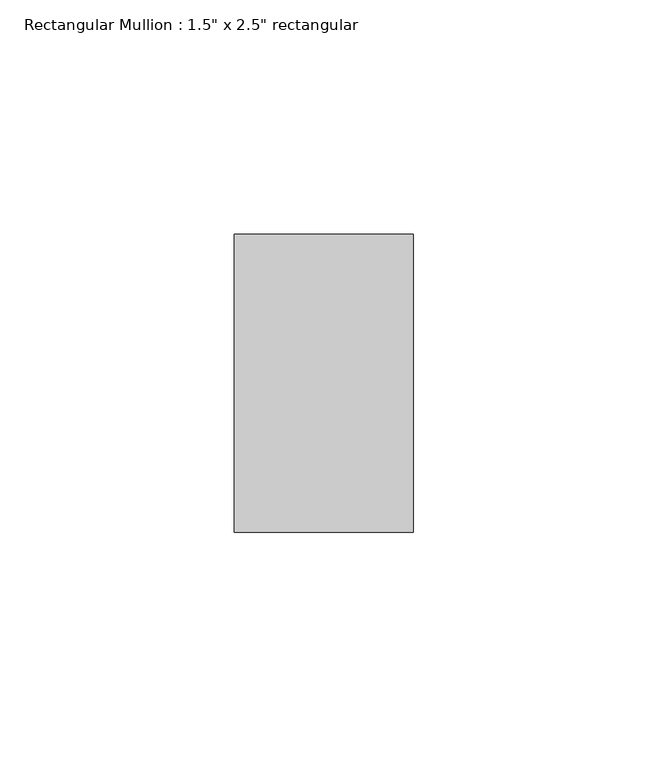
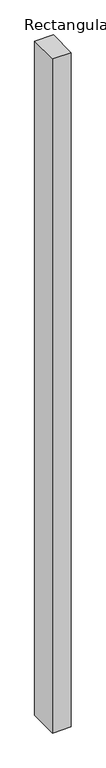
"""IFC4 building model written with IfcOpenShell, lengths in millimetres: member geometry."""

from ifc_helpers import new_model, si_unit, frame, origin, place, context, project, spatial, polyline, outline, extrude, source, transform, mapped, element, save


def member_1b87e778(model_context):
    return source(origin(), model_context, "Body", "SweptSolid", [
        extrude(outline(polyline([(19.05, 82.55), (19.05, 19.05), (-19.05, 19.05), (-19.05, 82.55), (19.05, 82.55)])), frame((0.0, 0.0, -1460.5), z_axis=(0.0, 0.0, 1.0), x_axis=(1.0, 0.0, 0.0)), (0.0, 0.0, 1.0), 1460.5),
    ])


if __name__ == "__main__":
    model = new_model("IFC4")
    model_context = context("Model", 3, world=origin())
    ifc_project = project(units=[si_unit("LENGTHUNIT", "METRE", prefix="MILLI")], contexts=[model_context])
    site = spatial("IfcSite", under=ifc_project)
    building = spatial("IfcBuilding", under=site)
    placement = place(None, origin())
    member_shape = member_1b87e778(model_context)
    element("IfcMember", 1, ObjectType="Rectangular Mullion : 1.5\" x 2.5\" rectangular", at=placement, inside=building, context=model_context, shape_type="MappedRepresentation", body=[
        mapped(member_shape, transform((0.0, 0.0, 0.0), x_axis=(1.0, 0.0, 0.0), y_axis=(0.0, 1.0, 0.0), z_axis=(0.0, 0.0, 1.0))),
    ])
    save(model, "model.ifc")
